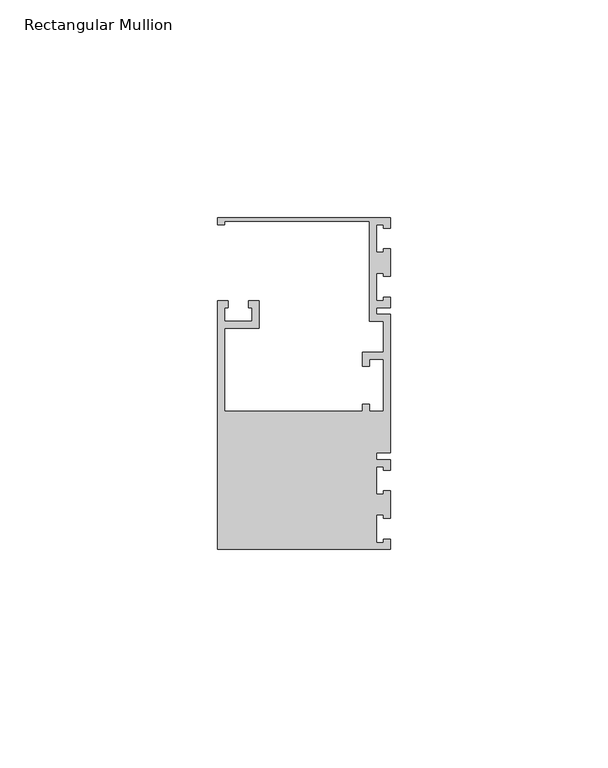
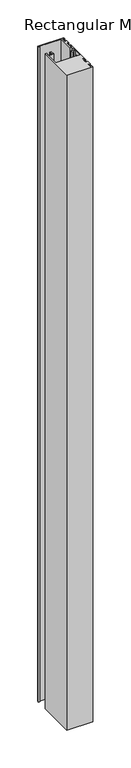
"""IFC4 building model written with IfcOpenShell, lengths in millimetres: member geometry, Rectangular Mullion."""

from ifc_helpers import new_model, si_unit, frame, origin, place, context, project, spatial, polyline, outline, extrude, source, transform, mapped, element, save


def rectangular_mullion_9a0a8e1a(model_context):
    return source(origin(), model_context, "Body", "SweptSolid", [
        extrude(outline(polyline([(0.0, 38.1), (0.0, 35.71875), (-1.4999946, 35.71875), (-1.4999946, 36.5125), (-3.175, 36.5125), (-3.175, 30.1625), (-1.4999946, 30.1625), (-1.4999946, 30.95625), (0.0, 30.95625), (0.0, 24.60625), (-1.4999946, 24.60625), (-1.4999946, 25.4), (-3.175, 25.4), (-3.175, 19.05), (-1.4999946, 19.05), (-1.4999946, 19.84375), (0.0, 19.84375), (0.0, 17.4625), (-3.175, 17.4625), (-3.175, 15.875), (0.0, 15.875), (0.0, -15.875), (-3.175, -15.875), (-3.175, -17.4625), (0.0, -17.4625), (0.0, -19.84375), (-1.4999946, -19.84375), (-1.4999946, -19.05), (-3.175, -19.05), (-3.175, -25.4), (-1.4999946, -25.4), (-1.4999946, -24.60625), (0.0, -24.60625), (0.0, -30.95625), (-1.4999946, -30.95625), (-1.4999946, -30.1625), (-3.175, -30.1625), (-3.175, -36.5125), (-1.4999946, -36.5125), (-1.4999946, -35.71875), (0.0, -35.71875), (0.0, -38.1), (-39.6875, -38.1), (-39.6875, 19.05), (-37.30625, 19.05), (-37.30625, 17.4625), (-38.1, 17.4625), (-38.1, 14.2875), (-31.75, 14.2875), (-31.75, 17.4625), (-32.54375, 17.4625), (-32.54375, 19.05), (-30.1625, 19.05), (-30.1625, 12.7), (-38.1, 12.7), (-38.1, -6.35), (-6.35, -6.35), (-6.35, -4.7625), (-4.7625, -4.7625), (-4.7625, -6.35), (-1.5875, -6.35), (-1.5875, 5.55625), (-4.7625, 5.55625), (-4.7625, 3.96875), (-6.35, 3.96875), (-6.35, 7.14375), (-1.5875, 7.14375), (-1.5875, 14.2875), (-4.7625, 14.2875), (-4.7625, 37.30625), (-38.1, 37.30625), (-38.1, 36.5125), (-39.6875, 36.5125), (-39.6875, 38.1), (0.0, 38.1)])), frame((0.0, 0.0, -1055.9226245), z_axis=(0.0, 0.0, 1.0), x_axis=(1.0, 0.0, 0.0)), (0.0, 0.0, 1.0), 1055.9226245),
    ])


if __name__ == "__main__":
    model = new_model("IFC4")
    model_context = context("Model", 3, world=origin())
    ifc_project = project(units=[si_unit("LENGTHUNIT", "METRE", prefix="MILLI")], contexts=[model_context])
    site = spatial("IfcSite", under=ifc_project)
    building = spatial("IfcBuilding", under=site)
    placement = place(None, origin())
    rectangular_mullion_shape = rectangular_mullion_9a0a8e1a(model_context)
    element("IfcMember", 1, ObjectType="Rectangular Mullion", at=placement, inside=building, context=model_context, shape_type="MappedRepresentation", body=[
        mapped(rectangular_mullion_shape, transform((0.0, 0.0, 0.0), x_axis=(1.0, 0.0, 0.0), y_axis=(0.0, 1.0, 0.0), z_axis=(0.0, 0.0, 1.0))),
    ])
    save(model, "model.ifc")
